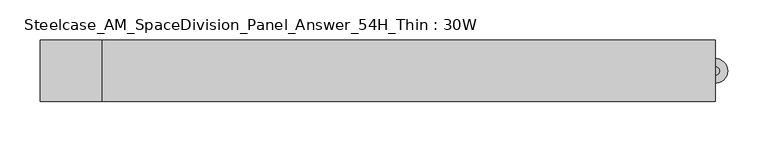
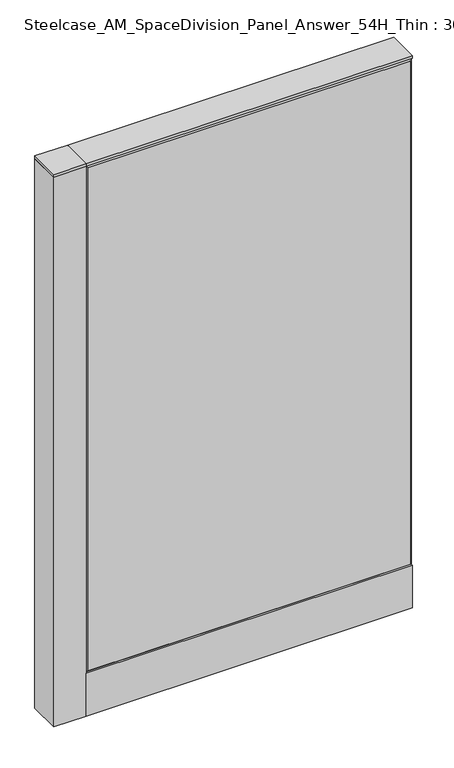
"""IFC4 building model written with IfcOpenShell, lengths in millimetres: furniture geometry, Steelcase_AM_SpaceDivision_Panel_Answer_54H_Thin : 30W."""

from ifc_helpers import new_model, si_unit, point, frame, frame_2d, origin, place, context, project, spatial, polyline, circle_curve, trimmed, segment, composite_curve, outline, extrude, faceted_brep, source, transform, mapped, element, save


def steelcase_am_spacedivision_panel_answer_54h_thin_30w_c2723b41(model_context):
    return source(origin(), model_context, "Body", "SolidModel", [
        extrude(outline(polyline([(37.3075215, 119.8575157), (25.4000011, 119.8575157), (25.4000011, 120.65), (38.1000194, 120.65), (38.1000194, 15.494), (37.3075215, 15.494), (37.3075215, 119.8575157)])), frame((-381.0, 0.0, 0.0), z_axis=(1.0, 0.0, 0.0), x_axis=(0.0, 1.0, 0.0)), (0.0, 0.0, 1.0), 762.0),
        extrude(outline(polyline([(-37.3075215, 119.8575157), (-37.3075215, 15.494), (-38.1000194, 15.494), (-38.1000194, 120.65), (-25.4000011, 120.65), (-25.4000011, 119.8575157), (-37.3075215, 119.8575157)])), frame((-381.0, 0.0, 0.0), z_axis=(1.0, 0.0, 0.0), x_axis=(0.0, 1.0, 0.0)), (0.0, 0.0, 1.0), 762.0),
        extrude(outline(composite_curve([segment(trimmed(circle_curve(frame_2d((381.0, -1.94e-05)), 5.08), [point((386.08, -1.94e-05))], [point((375.92, -1.94e-05))], False, "CARTESIAN"), True, "CONTINUOUS"), segment(trimmed(circle_curve(frame_2d((381.0, -1.94e-05)), 5.08), [point((375.92, -1.94e-05))], [point((386.08, -1.94e-05))], False, "CARTESIAN"), True, "CONTINUOUS")], self_intersect=False)), frame((0.0, 0.0, 5.0799671), z_axis=(0.0, 0.0, 1.0), x_axis=(1.0, 0.0, 0.0)), (0.0, 0.0, 1.0), 10.414),
        extrude(outline(composite_curve([segment(trimmed(circle_curve(frame_2d((381.0, -1.94e-05)), 15.24), [point((396.24, -1.94e-05))], [point((365.76, -1.94e-05))], False, "CARTESIAN"), True, "CONTINUOUS"), segment(trimmed(circle_curve(frame_2d((381.0, -1.94e-05)), 15.24), [point((365.76, -1.94e-05))], [point((396.24, -1.94e-05))], False, "CARTESIAN"), True, "CONTINUOUS")], self_intersect=False)), frame((0.0, 0.0, -3.29e-05), z_axis=(0.0, 0.0, 1.0), x_axis=(1.0, 0.0, 0.0)), (0.0, 0.0, 1.0), 5.08),
        extrude(outline(composite_curve([segment(trimmed(circle_curve(frame_2d((-419.1, -1.94e-05)), 5.08), [point((-424.18, -1.94e-05))], [point((-414.02, -1.94e-05))], False, "CARTESIAN"), True, "CONTINUOUS"), segment(trimmed(circle_curve(frame_2d((-419.1, -1.94e-05)), 5.08), [point((-414.02, -1.94e-05))], [point((-424.18, -1.94e-05))], False, "CARTESIAN"), True, "CONTINUOUS")], self_intersect=False)), frame((0.0, 0.0, 5.0799671), z_axis=(0.0, 0.0, 1.0), x_axis=(1.0, 0.0, 0.0)), (0.0, 0.0, 1.0), 10.414),
        extrude(outline(composite_curve([segment(trimmed(circle_curve(frame_2d((-419.1, -1.94e-05)), 15.24), [point((-434.34, -1.94e-05))], [point((-403.86, -1.94e-05))], False, "CARTESIAN"), True, "CONTINUOUS"), segment(trimmed(circle_curve(frame_2d((-419.1, -1.94e-05)), 15.24), [point((-403.86, -1.94e-05))], [point((-434.34, -1.94e-05))], False, "CARTESIAN"), True, "CONTINUOUS")], self_intersect=False)), frame((0.0, 0.0, -3.29e-05), z_axis=(0.0, 0.0, 1.0), x_axis=(1.0, 0.0, 0.0)), (0.0, 0.0, 1.0), 5.08),
        extrude(outline(polyline([(-381.0, -38.1), (-457.2, -38.1), (-457.2, 38.1), (-381.0, 38.1), (-381.0, -38.1)])), frame((0.0, 0.0, 1371.5999671), z_axis=(0.0, 0.0, 1.0), x_axis=(1.0, 0.0, 0.0)), (0.0, 0.0, 1.0), 6.35),
        extrude(outline(polyline([(-457.2, 38.1), (-381.0, 38.1), (-381.0, -38.1), (-457.2, -38.1), (-457.2, 38.1)])), frame((0.0, 0.0, 15.4939671), z_axis=(0.0, 0.0, 1.0), x_axis=(1.0, 0.0, 0.0)), (0.0, 0.0, 1.0), 1356.106),
        faceted_brep([(-376.174, 38.0960552, 1366.774), (376.174, 38.0960552, 1366.774), (376.174, 38.0960552, 125.476), (-376.174, 38.0960552, 125.476), (-381.0, 33.2700552, 1371.6), (-381.0, 33.2700552, 120.65), (381.0, 33.2700552, 120.65), (381.0, 33.2700552, 1371.6)], [[[0, 1, 2, 3]], [[4, 5, 6, 7]], [[4, 7, 1, 0]], [[7, 6, 2, 1]], [[6, 5, 3, 2]], [[5, 4, 0, 3]]]),
        faceted_brep([(376.174, -38.0960552, 1366.774), (-376.174, -38.0960552, 1366.774), (-376.174, -38.0960552, 125.476), (376.174, -38.0960552, 125.476), (381.0, -33.2700552, 1371.6), (381.0, -33.2700552, 120.65), (-381.0, -33.2700552, 120.65), (-381.0, -33.2700552, 1371.6)], [[[0, 1, 2, 3]], [[4, 5, 6, 7]], [[4, 7, 1, 0]], [[7, 6, 2, 1]], [[6, 5, 3, 2]], [[5, 4, 0, 3]]]),
        extrude(outline(polyline([(381.0, 38.1000194), (381.0, -38.1000194), (-381.0, -38.1000194), (-381.0, 38.1000194), (381.0, 38.1000194)])), frame((0.0, 0.0, 1371.6), z_axis=(0.0, 0.0, 1.0), x_axis=(1.0, 0.0, 0.0)), (0.0, 0.0, 1.0), 6.35),
    ])


if __name__ == "__main__":
    model = new_model("IFC4")
    model_context = context("Model", 3, world=origin())
    ifc_project = project(units=[si_unit("LENGTHUNIT", "METRE", prefix="MILLI")], contexts=[model_context])
    site = spatial("IfcSite", under=ifc_project)
    building = spatial("IfcBuilding", under=site)
    placement = place(None, origin())
    steelcase_am_spacedivision_panel_answer_54h_thin_30w_shape = steelcase_am_spacedivision_panel_answer_54h_thin_30w_c2723b41(model_context)
    element("IfcFurniture", 1, ObjectType="Steelcase_AM_SpaceDivision_Panel_Answer_54H_Thin : 30W", at=placement, inside=building, context=model_context, shape_type="MappedRepresentation", body=[
        mapped(steelcase_am_spacedivision_panel_answer_54h_thin_30w_shape, transform((0.0, 0.0, 0.0), x_axis=(1.0, 0.0, 0.0), y_axis=(0.0, 1.0, 0.0), z_axis=(0.0, 0.0, 1.0))),
    ])
    save(model, "model.ifc")
